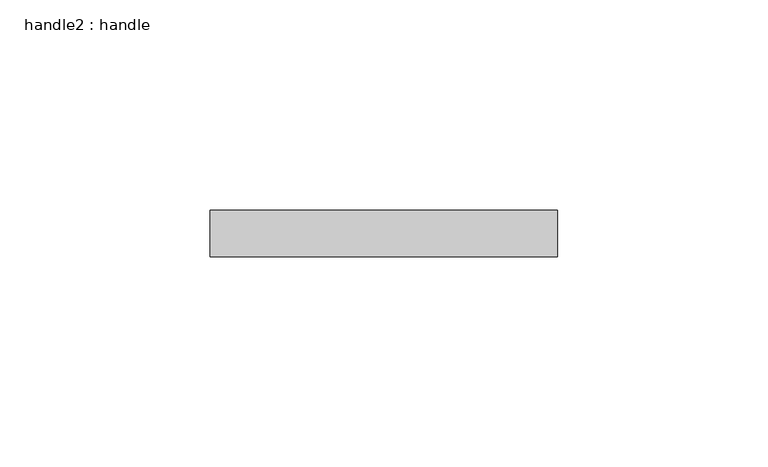
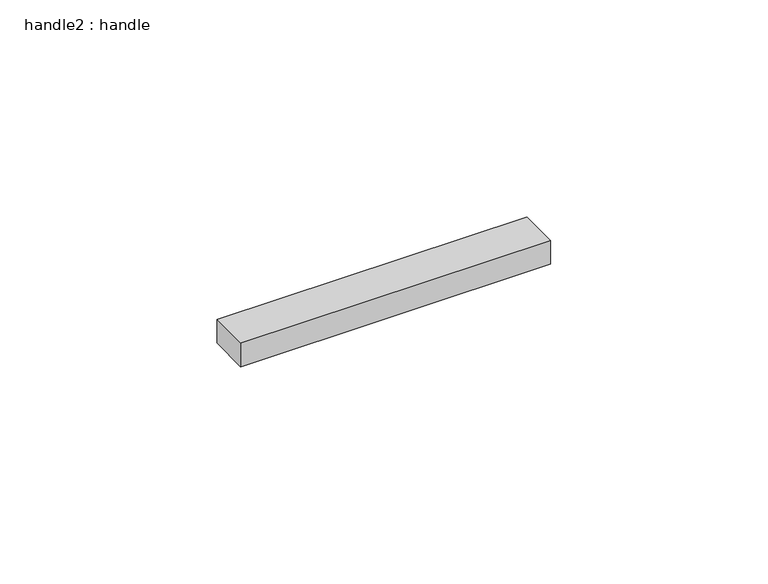
"""IFC4 building model written with IfcOpenShell, lengths in millimetres: proxy geometry, handle2 : handle."""

from ifc_helpers import new_model, si_unit, frame, origin, place, context, project, spatial, polyline, outline, extrude, source, transform, mapped, element, save


def handle2_handle_20ed6538(model_context):
    return source(origin(), model_context, "Body", "SweptSolid", [
        extrude(outline(polyline([(-288733.2708772, 3096.5349068), (-288733.2708772, 3085.5721628), (-288815.771659, 3085.5721628), (-288815.771659, 3096.5349068), (-288733.2708772, 3096.5349068)])), frame((0.0, 0.0, -2466.7271342), z_axis=(0.0, 0.0, 1.0), x_axis=(1.0, 0.0, 0.0)), (0.0, 0.0, 1.0), 6.6509522),
    ])


if __name__ == "__main__":
    model = new_model("IFC4")
    model_context = context("Model", 3, world=origin())
    ifc_project = project(units=[si_unit("LENGTHUNIT", "METRE", prefix="MILLI")], contexts=[model_context])
    site = spatial("IfcSite", under=ifc_project)
    building = spatial("IfcBuilding", under=site)
    placement = place(None, origin())
    handle2_handle_shape = handle2_handle_20ed6538(model_context)
    element("IfcBuildingElementProxy", 1, Name="handle2 : handle", ObjectType="handle2 : handle", at=placement, inside=building, context=model_context, shape_type="MappedRepresentation", body=[
        mapped(handle2_handle_shape, transform((0.0, 0.0, 0.0), x_axis=(1.0, 0.0, 0.0), y_axis=(0.0, 1.0, 0.0), z_axis=(0.0, 0.0, 1.0))),
    ])
    save(model, "model.ifc")
